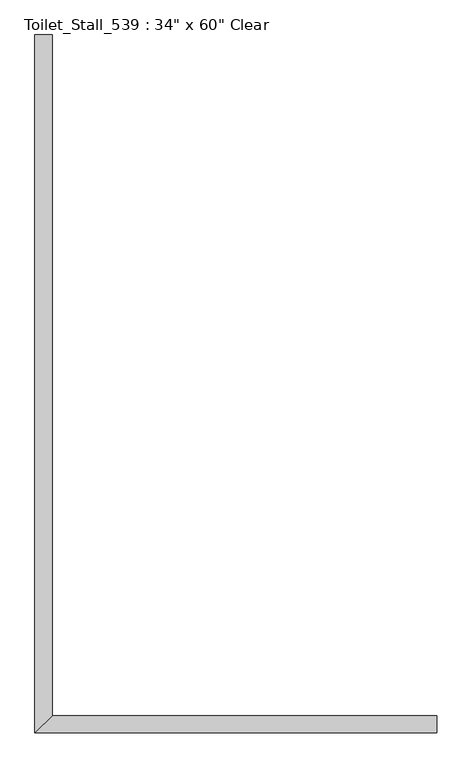
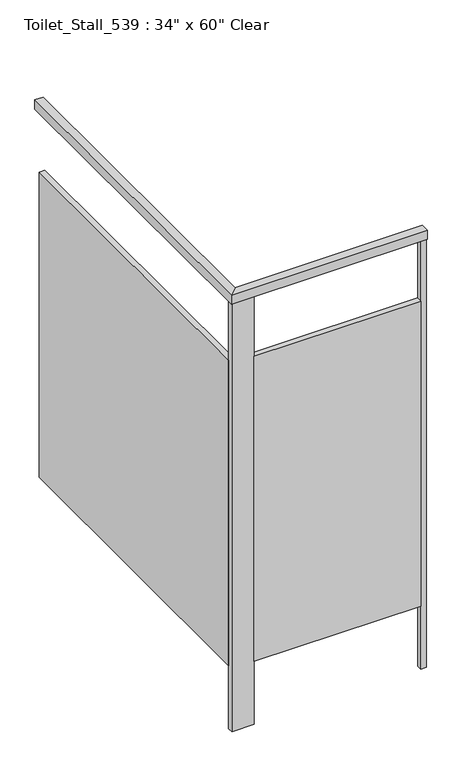
"""IFC4 building model written with IfcOpenShell, lengths in millimetres: proxy geometry."""

from ifc_helpers import new_model, si_unit, frame, origin, origin_with_axes, place, context, project, spatial, polyline, outline, extrude, faceted_brep, source, transform, mapped, element, save


def proxy_dabe4ea2(model_context):
    return source(origin(), model_context, "Body", "SolidModel", [
        faceted_brep([(-52.2968462, -39.6875, 2108.2), (-52.2968462, -39.6875, 2070.1), (-58.6468462, -39.6875, 2070.1), (-58.6468462, -39.6875, 2114.55), (-20.5468462, -39.6875, 2114.55), (-20.5468462, -39.6875, 2070.1), (-26.8968462, -39.6875, 2070.1), (-26.8968462, -39.6875, 2108.2), (-26.8968462, -1563.6875, 2108.2), (-52.2968462, -1589.0875, 2108.2), (-26.8968462, -1563.6875, 2070.1), (-20.5468462, -1557.3375, 2070.1), (-20.5468462, -1557.3375, 2114.55), (-58.6468462, -1595.4375, 2114.55), (-58.6468462, -1595.4375, 2070.1), (-52.2968462, -1589.0875, 2070.1), (836.7031538, -1589.0875, 2108.2), (836.7031538, -1563.6875, 2108.2), (836.7031538, -1563.6875, 2070.1), (836.7031538, -1557.3375, 2070.1), (836.7031538, -1557.3375, 2114.55), (836.7031538, -1595.4375, 2114.55), (836.7031538, -1595.4375, 2070.1), (836.7031538, -1589.0875, 2070.1)], [[[0, 1, 2, 3, 4, 5, 6, 7]], [[7, 8, 9, 0]], [[6, 10, 8, 7]], [[5, 11, 10, 6]], [[4, 12, 11, 5]], [[3, 13, 12, 4]], [[2, 14, 13, 3]], [[1, 15, 14, 2]], [[0, 9, 15, 1]], [[16, 17, 18, 19, 20, 21, 22, 23]], [[8, 17, 16, 9]], [[10, 18, 17, 8]], [[11, 19, 18, 10]], [[12, 20, 19, 11]], [[13, 21, 20, 12]], [[14, 22, 21, 13]], [[15, 23, 22, 14]], [[9, 16, 23, 15]]]),
        extrude(outline(polyline([(811.3031538, -1589.0875), (49.3031538, -1589.0875), (49.3031538, -1563.6875), (811.3031538, -1563.6875), (811.3031538, -1589.0875)])), frame((0.0, 0.0, 304.8), z_axis=(0.0, 0.0, 1.0), x_axis=(1.0, 0.0, 0.0)), (0.0, 0.0, 1.0), 1473.2),
        extrude(outline(polyline([(49.3031538, -1589.0875), (-52.2968462, -1589.0875), (-52.2968462, -1563.6875), (49.3031538, -1563.6875), (49.3031538, -1589.0875)])), origin_with_axes(), (0.0, 0.0, 1.0), 2108.2),
        extrude(outline(polyline([(836.7031538, -1589.0875), (811.3031538, -1589.0875), (811.3031538, -1563.6875), (836.7031538, -1563.6875), (836.7031538, -1589.0875)])), origin_with_axes(), (0.0, 0.0, 1.0), 2108.2),
        extrude(outline(polyline([(-52.2968462, -1563.6875), (-52.2968462, -63.5), (-26.8968462, -63.5), (-26.8968462, -1563.6875), (-52.2968462, -1563.6875)])), frame((0.0, 0.0, 304.8), z_axis=(0.0, 0.0, 1.0), x_axis=(1.0, 0.0, 0.0)), (0.0, 0.0, 1.0), 1473.2),
    ])


if __name__ == "__main__":
    model = new_model("IFC4")
    model_context = context("Model", 3, world=origin())
    ifc_project = project(units=[si_unit("LENGTHUNIT", "METRE", prefix="MILLI")], contexts=[model_context])
    site = spatial("IfcSite", under=ifc_project)
    building = spatial("IfcBuilding", under=site)
    placement = place(None, origin())
    proxy_shape = proxy_dabe4ea2(model_context)
    element("IfcBuildingElementProxy", 1, Name="Toilet_Stall_539 : 34\" x 60\" Clear", ObjectType="Toilet_Stall_539 : 34\" x 60\" Clear", at=placement, inside=building, context=model_context, shape_type="MappedRepresentation", body=[
        mapped(proxy_shape, transform((0.0, 0.0, 0.0), x_axis=(1.0, 0.0, 0.0), y_axis=(0.0, 1.0, 0.0), z_axis=(0.0, 0.0, 1.0))),
    ])
    save(model, "model.ifc")
